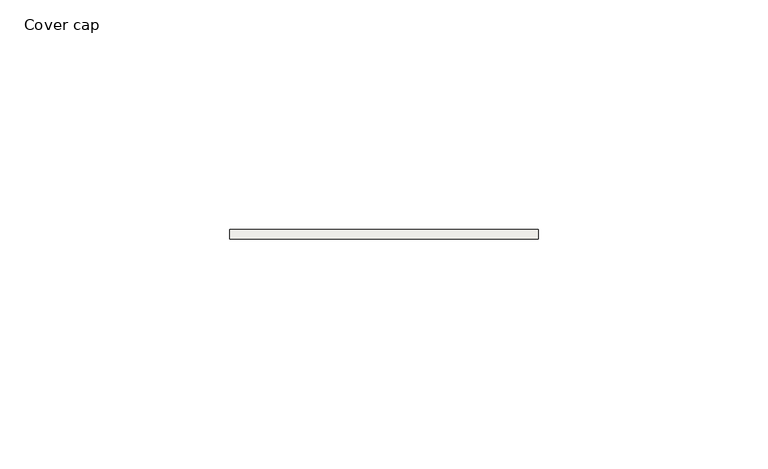
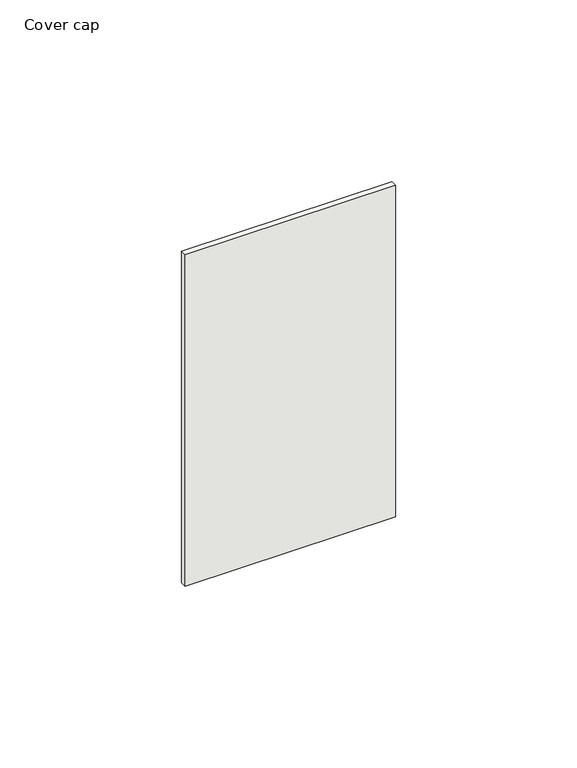
"""IFC4 building model written with IfcOpenShell, lengths in millimetres: covering geometry, Cover cap."""

from ifc_helpers import new_model, si_unit, frame, origin, place, context, project, spatial, polyline, outline, extrude, source, transform, mapped, element, save


def cover_cap_8f9da1e5(model_context):
    return source(origin(), model_context, "Body", "SweptSolid", [
        extrude(outline(polyline([(67.0, 0.0), (0.0, 0.0), (0.0, 2.0), (67.0, 2.0), (67.0, 0.0)])), frame((0.0, 0.0, -2.0), z_axis=(0.0, 0.0, 1.0), x_axis=(1.0, 0.0, 0.0)), (0.0, 0.0, 1.0), 111.5),
    ])


if __name__ == "__main__":
    model = new_model("IFC4")
    model_context = context("Model", 3, world=origin())
    ifc_project = project(units=[si_unit("LENGTHUNIT", "METRE", prefix="MILLI")], contexts=[model_context])
    site = spatial("IfcSite", under=ifc_project)
    building = spatial("IfcBuilding", under=site)
    placement = place(None, origin())
    cover_cap_shape = cover_cap_8f9da1e5(model_context)
    element("IfcCovering", 1, ObjectType="Cover cap", at=placement, inside=building, context=model_context, shape_type="MappedRepresentation", body=[
        mapped(cover_cap_shape, transform((0.0, 0.0, 0.0), x_axis=(1.0, 0.0, 0.0), y_axis=(0.0, 1.0, 0.0), z_axis=(0.0, 0.0, 1.0))),
    ])
    save(model, "model.ifc")
